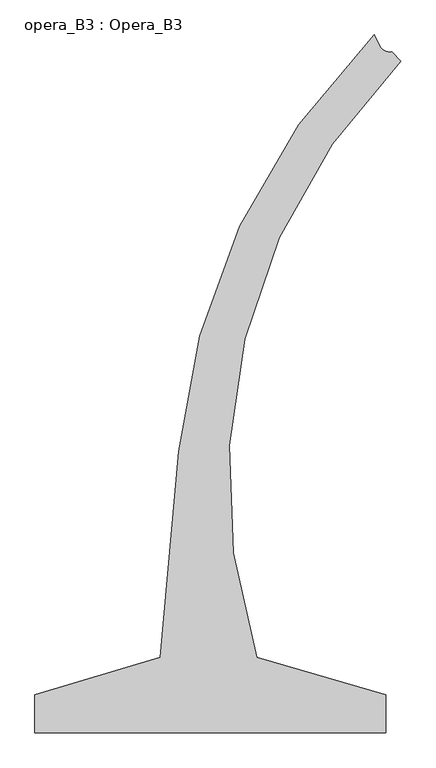
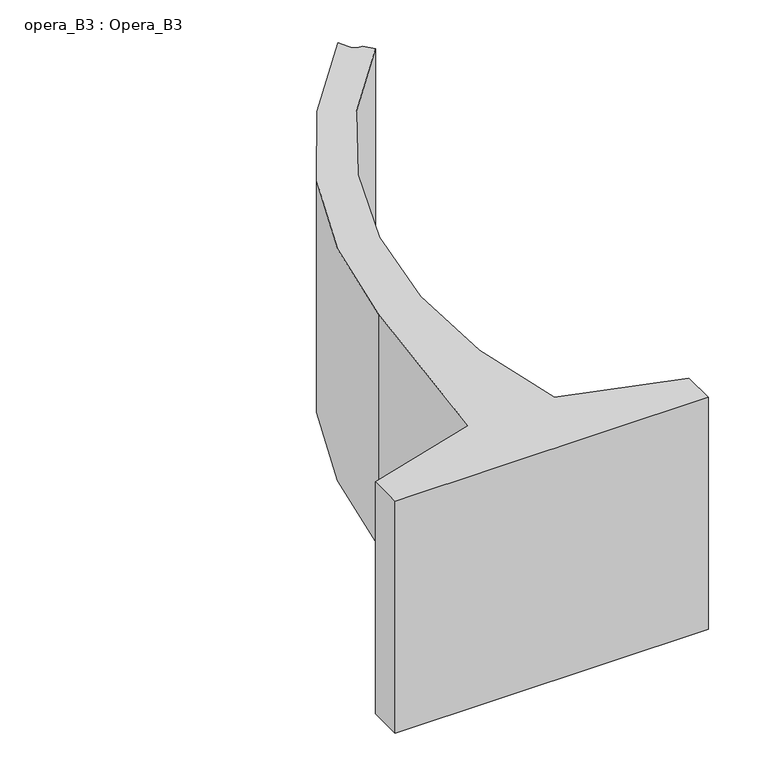
"""IFC4 building model written with IfcOpenShell, lengths in millimetres: proxy geometry, opera_B3 : Opera_B3."""

from ifc_helpers import new_model, si_unit, frame, origin, place, context, project, spatial, polyline, circle_curve, source, transform, mapped, element, save
from ifc_brep_helpers import plane_surface, cylinder_surface, revolved_surface, advanced_brep


def opera_b3_opera_b3_dcdac180(model_context):
    return source(origin(), model_context, "Body", "AdvancedBrep", [
        advanced_brep(
        [(-8556.5944789, 0.0, 0.0), (-5756.5944789, 0.0, 0.0), (-5756.5944789, 0.0, 2190.0), (-8556.5944789, 0.0, 2190.0), (-5756.5944789, 300.0, 0.0), (-5756.5944789, 300.0, 2190.0), (-6785.6353639, 600.0119198, 0.0), (-6785.6353639, 600.0119198, 2190.0), (-5635.0806756, 5363.4529228, 0.0), (-5635.0806756, 5363.4529228, 2190.0), (-5706.5422679, 5439.2340799, 0.0), (-5706.5422679, 5439.2340799, 2190.0), (-5801.7466238, 5486.5857113, 0.0), (-5801.7466238, 5486.5857113, 2190.0), (-5847.5944789, 5575.2340254, 0.0), (-5847.5944789, 5575.2340254, 2190.0), (-7406.5944789, 2247.0, 0.0), (-7406.5944789, 2247.0, 2190.0), (-7556.5944789, 600.0, 0.0), (-7556.5944789, 600.0, 2190.0), (-8556.5944789, 300.0, 0.0), (-8556.5944789, 300.0, 2190.0)],
        [
            (0, 1),
            (1, 2),
            (2, 3),
            (3, 0),
            (1, 4),
            (4, 5),
            (5, 2),
            (4, 6),
            (6, 7),
            (7, 5),
            (6, 8, circle_curve(frame((-2311.678804, 2040.0510513, 0.0), z_axis=(0.0, 0.0, -1.0), x_axis=(-0.30639130456162333, 0.9519056510437502, 0.0)), 4700.0)),
            (8, 9),
            (9, 7, circle_curve(frame((-2311.678804, 2040.0510513, 2190.0), z_axis=(0.0, 0.0, 1.0), x_axis=(-0.30639130456162333, 0.9519056510437502, 0.0)), 4700.0)),
            (8, 10),
            (10, 11),
            (11, 9),
            (10, 12, circle_curve(frame((-5721.8052987, 5527.9304152, 0.0), z_axis=(0.0, 0.0, -1.0), x_axis=(-0.9855148363581497, -0.16958923113797533, 0.0)), 90.0)),
            (12, 13),
            (13, 11, circle_curve(frame((-5721.8052987, 5527.9304152, 2190.0), z_axis=(0.0, 0.0, 1.0), x_axis=(-0.9855148363581497, -0.16958923113797533, 0.0)), 90.0)),
            (12, 14),
            (14, 15),
            (15, 13),
            (14, 16, circle_curve(frame((-2028.8515277, 1757.2237749, 0.0), z_axis=(0.0, 0.0, 1.0), x_axis=(-0.7070389352683228, -0.7071746205956753, 0.0)), 5400.0)),
            (16, 17),
            (17, 15, circle_curve(frame((-2028.8515277, 1757.2237749, 2190.0), z_axis=(0.0, 0.0, -1.0), x_axis=(-0.7070389352683228, -0.7071746205956753, 0.0)), 5400.0)),
            (16, 18),
            (18, 19),
            (19, 17),
            (18, 20),
            (20, 21),
            (21, 19),
            (20, 0),
            (3, 21),
        ],
        [
            plane_surface(frame((-7156.5944789, 0.0, 0.0), z_axis=(0.0, -1.0, 0.0), x_axis=(1.0, 0.0, 0.0))),
            plane_surface(frame((-5756.5944789, 150.0, 0.0), z_axis=(1.0, 0.0, 0.0), x_axis=(0.0, 1.0, 0.0))),
            plane_surface(frame((-6271.1149214, 450.0059599, 0.0), z_axis=(0.27989251951769434, 0.9600313419456873, 0.0), x_axis=(-0.9600313419456873, 0.27989251951769434, 0.0))),
            revolved_surface(polyline([(-3751.71793543963, 6514.007611205626, 2190.0), (-3751.71793543963, 6514.007611205626, 0.0)]), (-2311.678804, 2040.0510513, 0.0), (0.0, 0.0, 1.0)),
            plane_surface(frame((-5670.793573, 5401.3613999, 0.0), z_axis=(0.7272043200195965, 0.6864210638848698, 0.0), x_axis=(-0.6864210638848698, 0.7272043200195965, 0.0))),
            revolved_surface(polyline([(-5810.501633972233, 5512.667384397582, 2190.0), (-5810.501633972233, 5512.667384397582, 0.0)]), (-5721.8052987, 5527.9304152, 0.0), (0.0, 0.0, 1.0)),
            plane_surface(frame((-5824.6705513, 5530.9098684, 0.0), z_axis=(0.888236945763492, 0.4593855985778652, 0.0), x_axis=(-0.4593855985778652, 0.888236945763492, 0.0))),
            cylinder_surface(frame((-2028.8515277, 1757.2237749, 0.0), z_axis=(0.0, 0.0, 1.0), x_axis=(-0.7070389352683228, -0.7071746205956753, 0.0)), 5400.0),
            plane_surface(frame((-7481.5944789, 1423.5, 0.0), z_axis=(-0.9958783242993864, 0.09069930093802467, 0.0), x_axis=(-0.09069930093802467, -0.9958783242993864, 0.0))),
            plane_surface(frame((-8056.5944789, 450.0, 0.0), z_axis=(-0.28734788556633367, 0.957826285221155, 0.0), x_axis=(-0.957826285221155, -0.28734788556633367, 0.0))),
            plane_surface(frame((-8556.5944789, 150.0, 0.0), z_axis=(-1.0, 0.0, 0.0), x_axis=(0.0, -1.0, 0.0))),
            plane_surface(frame((-6669.648226, 2355.5958597, 2190.0), z_axis=(0.0, 0.0, 1.0), x_axis=(1.0, 0.0, 0.0))),
            plane_surface(frame((-6669.6514803, 2355.5926054, 0.0), z_axis=(0.0, 0.0, -1.0), x_axis=(0.0, 1.0, 0.0))),
        ],
        [
            (0, [[1, 2, 3, 4]]),
            (1, [[5, 6, 7, -2]]),
            (2, [[8, 9, 10, -6]]),
            (3, [[11, 12, 13, -9]]),
            (4, [[14, 15, 16, -12]]),
            (5, [[17, 18, 19, -15]]),
            (6, [[20, 21, 22, -18]]),
            (7, [[23, 24, 25, -21]]),
            (8, [[26, 27, 28, -24]]),
            (9, [[29, 30, 31, -27]]),
            (10, [[32, -4, 33, -30]]),
            (11, [[-3, -7, -10, -13, -16, -19, -22, -25, -28, -31, -33]]),
            (12, [[-32, -29, -26, -23, -20, -17, -14, -11, -8, -5, -1]]),
        ],
    ),
    ])


if __name__ == "__main__":
    model = new_model("IFC4")
    model_context = context("Model", 3, world=origin())
    ifc_project = project(units=[si_unit("LENGTHUNIT", "METRE", prefix="MILLI")], contexts=[model_context])
    site = spatial("IfcSite", under=ifc_project)
    building = spatial("IfcBuilding", under=site)
    placement = place(None, origin())
    opera_b3_opera_b3_shape = opera_b3_opera_b3_dcdac180(model_context)
    element("IfcBuildingElementProxy", 1, Name="opera_B3 : Opera_B3", ObjectType="opera_B3 : Opera_B3", at=placement, inside=building, context=model_context, shape_type="MappedRepresentation", body=[
        mapped(opera_b3_opera_b3_shape, transform((0.0, 0.0, 0.0), x_axis=(1.0, 0.0, 0.0), y_axis=(0.0, 1.0, 0.0), z_axis=(0.0, 0.0, 1.0))),
    ])
    save(model, "model.ifc")
